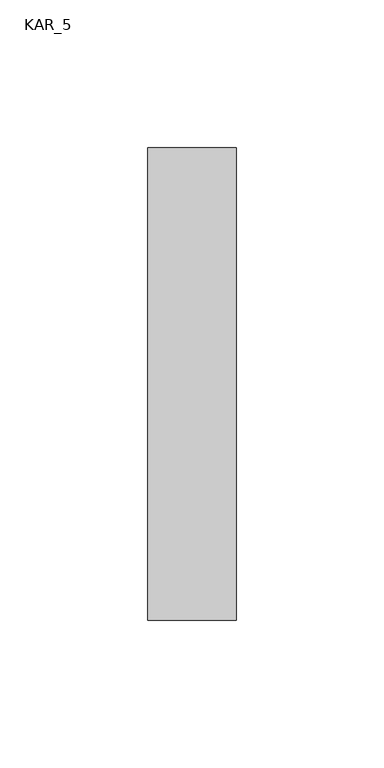
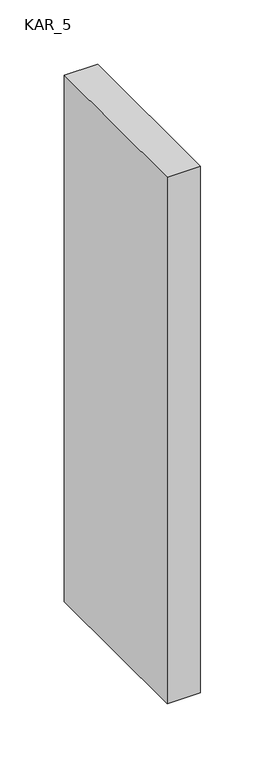
"""IFC4 building model written with IfcOpenShell, lengths in millimetres: proxy geometry, KAR_5."""

import ifcopenshell
import ifcopenshell.guid

model = None  # the IFC model being written
_history = None  # IfcOwnerHistory: only IFC2X3 demands one
_inside = {}  # id of a spatial element -> (the spatial element, [elements in it])
_under = {}  # id of a project, library or spatial element -> (it, [spatial elements below it])
_declared = {}  # id of a project -> (the project, [libraries it declares])
_typed = {}  # id of a type object -> (the type object, [elements of that type])
_made_of = {}  # id of a material, layer set ... -> (it, [elements and type objects made of it])


def new_model(schema):
    """Start an empty IFC model of exactly this schema.

    Asked for "IFC4X3", IfcOpenShell would pick the latest addendum, in which some entities
    have other attributes; the version numbers below select the first issue.
    IFC2X3 requires an IfcOwnerHistory on every rooted entity: one is made here for all.
    """
    global model, _history
    if schema == "IFC4X3":
        model = ifcopenshell.file(schema_version=(4, 3, 0, 0))
    else:
        model = ifcopenshell.file(schema=schema)
    _inside.clear()
    _under.clear()
    _declared.clear()
    _typed.clear()
    _made_of.clear()
    _history = None
    if model.schema == "IFC2X3":
        org = make("IfcOrganization", Name="unknown")
        user = make(
            "IfcPersonAndOrganization",
            ThePerson=make("IfcPerson", FamilyName="unknown"),
            TheOrganization=org,
        )
        app = make(
            "IfcApplication",
            ApplicationDeveloper=org,
            Version="unknown",
            ApplicationFullName="unknown",
            ApplicationIdentifier="unknown",
        )
        _history = make(
            "IfcOwnerHistory",
            OwningUser=user,
            OwningApplication=app,
            ChangeAction="ADDED",
            CreationDate=0,
        )
    return model


def make(cls, **values):
    """One entity of the class cls with the attributes given. An attribute that is None is left unset."""
    return model.create_entity(
        cls, **{name: value for name, value in values.items() if value is not None}
    )


def rooted(cls, **values):
    """An entity with a GlobalId (a new one), such as an element, a storey or a relation."""
    return make(cls, GlobalId=ifcopenshell.guid.new(), OwnerHistory=_history, **values)


def si_unit(unit_type, name, prefix=None):
    """IfcSIUnit, for example si_unit("LENGTHUNIT", "METRE", prefix="MILLI")."""
    return make("IfcSIUnit", UnitType=unit_type, Prefix=prefix, Name=name)


def assignment(units):
    """IfcUnitAssignment: the units of a project."""
    return None if units is None else make("IfcUnitAssignment", Units=units)


def point(xyz):
    """IfcCartesianPoint."""
    return None if xyz is None else make("IfcCartesianPoint", Coordinates=xyz)


def direction(xyz):
    """IfcDirection."""
    return None if xyz is None else make("IfcDirection", DirectionRatios=xyz)


def frame(location, z_axis=None, x_axis=None):
    """IfcAxis2Placement3D, a coordinate frame: its origin and axes. An axis left out is left unset."""
    return make(
        "IfcAxis2Placement3D",
        Location=point(location),
        Axis=direction(z_axis),
        RefDirection=direction(x_axis),
    )


def origin():
    """The frame at (0, 0, 0) with its axes left unset."""
    return frame((0.0, 0.0, 0.0))


def place(relative_to, where):
    """IfcLocalPlacement: puts the frame where relative to a parent placement (None: the world)."""
    return make(
        "IfcLocalPlacement", PlacementRelTo=relative_to, RelativePlacement=where
    )


def context(
    kind, dimensions, precision=None, world=None, true_north=None, identifier=None
):
    """IfcGeometricRepresentationContext, for example the 3D "Model" context."""
    return make(
        "IfcGeometricRepresentationContext",
        ContextIdentifier=identifier,
        ContextType=kind,
        CoordinateSpaceDimension=dimensions,
        Precision=precision,
        WorldCoordinateSystem=world,
        TrueNorth=true_north,
    )


def project(units=None, contexts=None):
    """IfcProject with its units and contexts."""
    return rooted(
        "IfcProject",
        Name="project",
        RepresentationContexts=contexts,
        UnitsInContext=assignment(units),
    )


def spatial(cls, under=None, at=None, **own):
    """A site, building, storey or space (cls), placed at a placement, below another one or the project."""
    s = rooted(cls, ObjectPlacement=at, **own)
    if under is not None:
        _under.setdefault(under.id(), (under, []))[1].append(s)
    return s


def polyline(points):
    """IfcPolyline through the points."""
    return make("IfcPolyline", Points=[point(p) for p in points])


def outline(outer, holes=None, kind="AREA"):
    """IfcArbitraryClosedProfileDef: a profile drawn as a closed curve; with holes, ...WithVoids."""
    if holes is None:
        return make("IfcArbitraryClosedProfileDef", ProfileType=kind, OuterCurve=outer)
    return make(
        "IfcArbitraryProfileDefWithVoids",
        ProfileType=kind,
        OuterCurve=outer,
        InnerCurves=holes,
    )


def extrude(swept, where, along, depth):
    """IfcExtrudedAreaSolid: the profile swept, set in the frame where, extruded along a direction by depth."""
    return make(
        "IfcExtrudedAreaSolid",
        SweptArea=swept,
        Position=where,
        ExtrudedDirection=direction(along),
        Depth=depth,
    )


def shape(context_of_items, identifier, shape_type, items):
    """IfcShapeRepresentation: the items that make up one representation, for example the "Body"."""
    return make(
        "IfcShapeRepresentation",
        ContextOfItems=context_of_items,
        RepresentationIdentifier=identifier,
        RepresentationType=shape_type,
        Items=items,
    )


def source(mapping_origin, context_of_items, identifier, shape_type, items):
    """IfcRepresentationMap: a shape defined once, which mapped items show again and again."""
    return make(
        "IfcRepresentationMap",
        MappingOrigin=mapping_origin,
        MappedRepresentation=shape(context_of_items, identifier, shape_type, items),
    )


def transform(
    local_origin,
    x_axis=None,
    y_axis=None,
    z_axis=None,
    scale=None,
    scale2=None,
    scale3=None,
    uniform=True,
):
    """IfcCartesianTransformationOperator3D, or its non-uniform kind. x_axis, y_axis, z_axis: its Axis1, 2, 3."""
    if uniform:
        return make(
            "IfcCartesianTransformationOperator3D",
            Axis1=direction(x_axis),
            Axis2=direction(y_axis),
            LocalOrigin=point(local_origin),
            Scale=scale,
            Axis3=direction(z_axis),
        )
    return make(
        "IfcCartesianTransformationOperator3DnonUniform",
        Axis1=direction(x_axis),
        Axis2=direction(y_axis),
        LocalOrigin=point(local_origin),
        Scale=scale,
        Axis3=direction(z_axis),
        Scale2=scale2,
        Scale3=scale3,
    )


def mapped(mapping_source, mapping_target):
    """IfcMappedItem: shows the shape of a source again, moved by a transform."""
    return make(
        "IfcMappedItem", MappingSource=mapping_source, MappingTarget=mapping_target
    )


def made_of(thing, what):
    """Note that an element or type object is made of a material, layer set ...; save() writes the relation."""
    if what is not None:
        _made_of.setdefault(what.id(), (what, []))[1].append(thing)
    return thing


def element(
    cls,
    number,
    at=None,
    inside=None,
    cuts=None,
    type_object=None,
    material=None,
    context=None,
    identifier="Body",
    shape_type=None,
    held_by="IfcProductDefinitionShape",
    body=None,
    shapes=None,
    **own,
):
    """One element of the class cls, such as IfcWall. Its Tag is "e" and its number.

    at: its placement. inside: the storey or other place that contains it. cuts: it is an
    opening in that element (IfcRelVoidsElement). A single representation is given by context,
    identifier, shape_type and body (its items); several are given by shapes. held_by: the class
    of the entity that holds the representations. save() writes the other relations.
    """
    e = rooted(cls, Tag="e%d" % number, ObjectPlacement=at, **own)
    if body is not None:
        shapes = [shape(context, identifier, shape_type, body)]
    if shapes is not None:
        e.Representation = make(held_by, Representations=shapes)
    if inside is not None:
        _inside.setdefault(inside.id(), (inside, []))[1].append(e)
    if cuts is not None:
        rooted(
            "IfcRelVoidsElement", RelatingBuildingElement=cuts, RelatedOpeningElement=e
        )
    if type_object is not None:
        _typed.setdefault(type_object.id(), (type_object, []))[1].append(e)
    return made_of(e, material)


def aggregate(whole, parts):
    """IfcRelAggregates: a whole, such as a stair, and the parts it consists of."""
    return rooted("IfcRelAggregates", RelatingObject=whole, RelatedObjects=parts)


def save(model, path):
    """Write the relations noted so far, then the file.

    IfcRelAggregates (storeys below a building ...), IfcRelContainedInSpatialStructure (elements
    in a storey), IfcRelDefinesByType, IfcRelAssociatesMaterial and IfcRelDeclares: one each for
    every whole, place, type object, material and project.
    """
    for whole, parts in _under.values():
        aggregate(whole, parts)
    for where, things in _inside.values():
        rooted(
            "IfcRelContainedInSpatialStructure",
            RelatedElements=things,
            RelatingStructure=where,
        )
    for kind, things in _typed.values():
        rooted("IfcRelDefinesByType", RelatedObjects=things, RelatingType=kind)
    for what, things in _made_of.values():
        rooted("IfcRelAssociatesMaterial", RelatedObjects=things, RelatingMaterial=what)
    for by, libraries in _declared.values():
        rooted("IfcRelDeclares", RelatingContext=by, RelatedDefinitions=libraries)
    model.write(path)


def kar_5_92664999(model_context):
    return source(origin(), model_context, "Body", "SweptSolid", [
        extrude(outline(polyline([(30.0, 160.0), (30.0, 0.0), (0.0, 0.0), (0.0, 160.0), (30.0, 160.0)])), frame((0.0, 0.0, 2100.0), z_axis=(0.0, 0.0, 1.0), x_axis=(1.0, 0.0, 0.0)), (0.0, 0.0, 1.0), 500.0),
    ])


if __name__ == "__main__":
    model = new_model("IFC4")
    model_context = context("Model", 3, world=origin())
    ifc_project = project(units=[si_unit("LENGTHUNIT", "METRE", prefix="MILLI")], contexts=[model_context])
    site = spatial("IfcSite", under=ifc_project)
    building = spatial("IfcBuilding", under=site)
    placement = place(None, origin())
    kar_5_shape = kar_5_92664999(model_context)
    element("IfcBuildingElementProxy", 1, Name="KAR_5", ObjectType="KAR_5", at=placement, inside=building, context=model_context, shape_type="MappedRepresentation", body=[
        mapped(kar_5_shape, transform((0.0, 0.0, 0.0), x_axis=(1.0, 0.0, 0.0), y_axis=(0.0, 1.0, 0.0), z_axis=(0.0, 0.0, 1.0))),
    ])
    save(model, "model.ifc")
